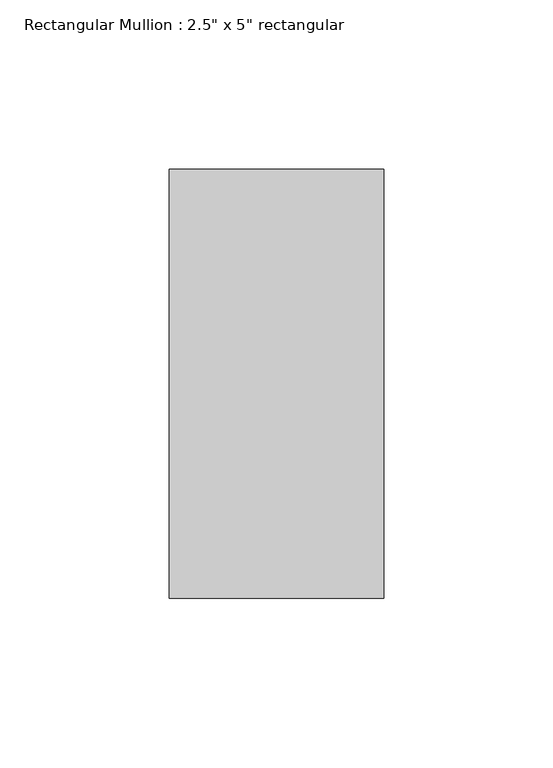
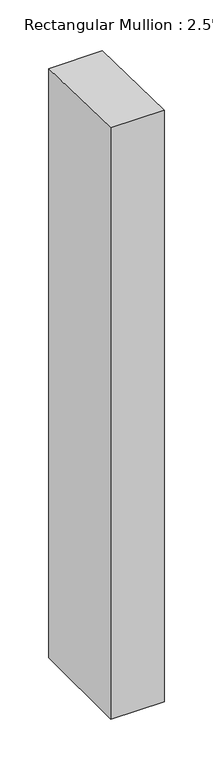
"""IFC4 building model written with IfcOpenShell, lengths in millimetres: member geometry."""

from ifc_helpers import new_model, si_unit, frame, origin, place, context, project, spatial, polyline, outline, extrude, source, transform, mapped, element, save


def member_b101d4cc(model_context):
    return source(origin(), model_context, "Body", "SweptSolid", [
        extrude(outline(polyline([(-63.5, 1.2728171), (63.5, -1.2728171), (63.5, -739.3464616), (-63.5, -739.3464616), (-63.5, 1.2728171)])), frame((-31.75, 0.0, 0.0), z_axis=(1.0, 0.0, 0.0), x_axis=(0.0, 1.0, 0.0)), (0.0, 0.0, 1.0), 63.5),
    ])


if __name__ == "__main__":
    model = new_model("IFC4")
    model_context = context("Model", 3, world=origin())
    ifc_project = project(units=[si_unit("LENGTHUNIT", "METRE", prefix="MILLI")], contexts=[model_context])
    site = spatial("IfcSite", under=ifc_project)
    building = spatial("IfcBuilding", under=site)
    placement = place(None, origin())
    member_shape = member_b101d4cc(model_context)
    element("IfcMember", 1, ObjectType="Rectangular Mullion : 2.5\" x 5\" rectangular", at=placement, inside=building, context=model_context, shape_type="MappedRepresentation", body=[
        mapped(member_shape, transform((0.0, 0.0, 0.0), x_axis=(1.0, 0.0, 0.0), y_axis=(0.0, 1.0, 0.0), z_axis=(0.0, 0.0, 1.0))),
    ])
    save(model, "model.ifc")
